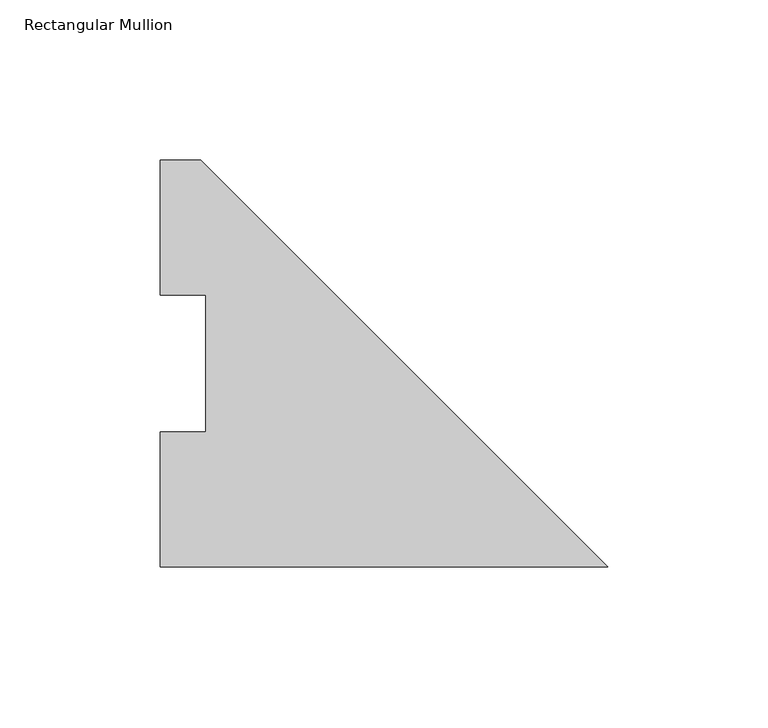
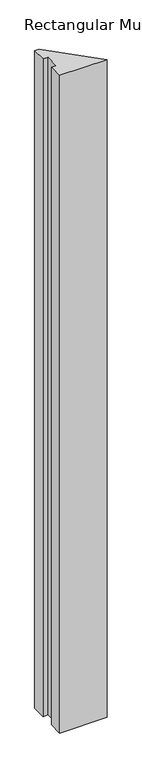
"""IFC4 building model written with IfcOpenShell, lengths in millimetres: member geometry, Rectangular Mullion."""

from ifc_helpers import new_model, si_unit, frame, origin, place, context, project, spatial, polyline, outline, extrude, source, transform, mapped, element, save


def rectangular_mullion_d0db8220(model_context):
    return source(origin(), model_context, "Body", "SweptSolid", [
        extrude(outline(polyline([(-139.7, 0.00635), (-139.7, 42.08145), (-125.4125, 42.08145), (-125.4125, 84.93125), (-139.7, 84.93125), (-139.7, 127.00635), (-127.0, 127.00635), (0.0, 0.00635), (-139.7, 0.00635)])), frame((0.0, 0.0, -2044.7227299), z_axis=(0.0, 0.0, 1.0), x_axis=(1.0, 0.0, 0.0)), (0.0, 0.0, 1.0), 2044.7227299),
    ])


if __name__ == "__main__":
    model = new_model("IFC4")
    model_context = context("Model", 3, world=origin())
    ifc_project = project(units=[si_unit("LENGTHUNIT", "METRE", prefix="MILLI")], contexts=[model_context])
    site = spatial("IfcSite", under=ifc_project)
    building = spatial("IfcBuilding", under=site)
    placement = place(None, origin())
    rectangular_mullion_shape = rectangular_mullion_d0db8220(model_context)
    element("IfcMember", 1, ObjectType="Rectangular Mullion", at=placement, inside=building, context=model_context, shape_type="MappedRepresentation", body=[
        mapped(rectangular_mullion_shape, transform((0.0, 0.0, 0.0), x_axis=(1.0, 0.0, 0.0), y_axis=(0.0, 1.0, 0.0), z_axis=(0.0, 0.0, 1.0))),
    ])
    save(model, "model.ifc")
